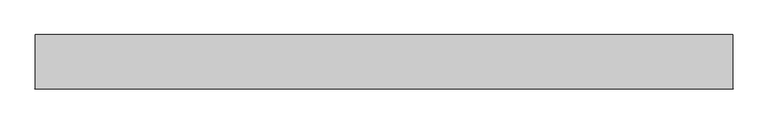
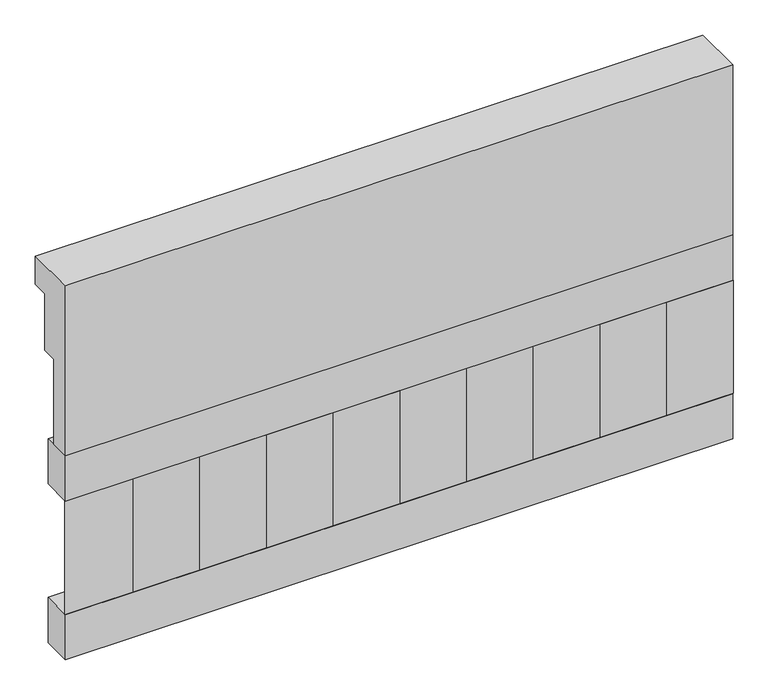
"""IFC4 building model written with IfcOpenShell, lengths in millimetres: railing geometry."""

from ifc_helpers import new_model, si_unit, frame, origin, place, context, project, spatial, polyline, outline, extrude, source, transform, mapped, element, save


def railing_a16365d3(model_context):
    return source(origin(), model_context, "Body", "SweptSolid", [
        extrude(outline(polyline([(903.1079487, 18500.0), (1033.1079487, 18500.0), (1033.1079487, 18425.0), (993.1079487, 18425.0), (993.1079487, 18275.0), (953.1079487, 18275.0), (953.1079487, 18050.0), (903.1079487, 18050.0), (903.1079487, 18500.0)])), frame((39990.0112841, 0.0, 0.0), z_axis=(1.0, 0.0, 0.0), x_axis=(0.0, 1.0, 0.0)), (0.0, 0.0, 1.0), 1670.0),
        extrude(outline(polyline([(41660.0112841, 978.1079487), (41660.0112841, 903.1079487), (39990.0112841, 903.1079487), (39990.0112841, 978.1079487), (41660.0112841, 978.1079487)])), frame((0.0, 0.0, 17930.0), z_axis=(0.0, 0.0, 1.0), x_axis=(1.0, 0.0, 0.0)), (0.0, 0.0, 1.0), 120.0),
        extrude(outline(polyline([(41660.0112841, 978.1079487), (41660.0112841, 903.1079487), (39990.0112841, 903.1079487), (39990.0112841, 978.1079487), (41660.0112841, 978.1079487)])), frame((0.0, 0.0, 17510.0), z_axis=(0.0, 0.0, 1.0), x_axis=(1.0, 0.0, 0.0)), (0.0, 0.0, 1.0), 120.0),
        extrude(outline(polyline([(40073.5112841, 987.9607624), (40158.3640978, 903.1079487), (39988.6584704, 903.1079487), (40073.5112841, 987.9607624)])), frame((0.0, 0.0, 17630.0), z_axis=(0.0, 0.0, 1.0), x_axis=(1.0, 0.0, 0.0)), (0.0, 0.0, 1.0), 300.0),
        extrude(outline(polyline([(40240.5112841, 987.9607624), (40325.3640978, 903.1079487), (40155.6584704, 903.1079487), (40240.5112841, 987.9607624)])), frame((0.0, 0.0, 17630.0), z_axis=(0.0, 0.0, 1.0), x_axis=(1.0, 0.0, 0.0)), (0.0, 0.0, 1.0), 300.0),
        extrude(outline(polyline([(40407.5112841, 987.9607624), (40492.3640978, 903.1079487), (40322.6584704, 903.1079487), (40407.5112841, 987.9607624)])), frame((0.0, 0.0, 17630.0), z_axis=(0.0, 0.0, 1.0), x_axis=(1.0, 0.0, 0.0)), (0.0, 0.0, 1.0), 300.0),
        extrude(outline(polyline([(40574.5112841, 987.9607624), (40659.3640978, 903.1079487), (40489.6584704, 903.1079487), (40574.5112841, 987.9607624)])), frame((0.0, 0.0, 17630.0), z_axis=(0.0, 0.0, 1.0), x_axis=(1.0, 0.0, 0.0)), (0.0, 0.0, 1.0), 300.0),
        extrude(outline(polyline([(40741.5112841, 987.9607624), (40826.3640978, 903.1079487), (40656.6584704, 903.1079487), (40741.5112841, 987.9607624)])), frame((0.0, 0.0, 17630.0), z_axis=(0.0, 0.0, 1.0), x_axis=(1.0, 0.0, 0.0)), (0.0, 0.0, 1.0), 300.0),
        extrude(outline(polyline([(40908.5112841, 987.9607624), (40993.3640978, 903.1079487), (40823.6584704, 903.1079487), (40908.5112841, 987.9607624)])), frame((0.0, 0.0, 17630.0), z_axis=(0.0, 0.0, 1.0), x_axis=(1.0, 0.0, 0.0)), (0.0, 0.0, 1.0), 300.0),
        extrude(outline(polyline([(41075.5112841, 987.9607624), (41160.3640978, 903.1079487), (40990.6584704, 903.1079487), (41075.5112841, 987.9607624)])), frame((0.0, 0.0, 17630.0), z_axis=(0.0, 0.0, 1.0), x_axis=(1.0, 0.0, 0.0)), (0.0, 0.0, 1.0), 300.0),
        extrude(outline(polyline([(41242.5112841, 987.9607624), (41327.3640978, 903.1079487), (41157.6584704, 903.1079487), (41242.5112841, 987.9607624)])), frame((0.0, 0.0, 17630.0), z_axis=(0.0, 0.0, 1.0), x_axis=(1.0, 0.0, 0.0)), (0.0, 0.0, 1.0), 300.0),
        extrude(outline(polyline([(41409.5112841, 987.9607624), (41494.3640978, 903.1079487), (41324.6584704, 903.1079487), (41409.5112841, 987.9607624)])), frame((0.0, 0.0, 17630.0), z_axis=(0.0, 0.0, 1.0), x_axis=(1.0, 0.0, 0.0)), (0.0, 0.0, 1.0), 300.0),
        extrude(outline(polyline([(41576.5112841, 987.9607624), (41661.3640978, 903.1079487), (41491.6584704, 903.1079487), (41576.5112841, 987.9607624)])), frame((0.0, 0.0, 17630.0), z_axis=(0.0, 0.0, 1.0), x_axis=(1.0, 0.0, 0.0)), (0.0, 0.0, 1.0), 300.0),
    ])


if __name__ == "__main__":
    model = new_model("IFC4")
    model_context = context("Model", 3, world=origin())
    ifc_project = project(units=[si_unit("LENGTHUNIT", "METRE", prefix="MILLI")], contexts=[model_context])
    site = spatial("IfcSite", under=ifc_project)
    building = spatial("IfcBuilding", under=site)
    placement = place(None, origin())
    railing_shape = railing_a16365d3(model_context)
    element("IfcRailing", 1, at=placement, inside=building, context=model_context, shape_type="MappedRepresentation", body=[
        mapped(railing_shape, transform((0.0, 0.0, 0.0), x_axis=(1.0, 0.0, 0.0), y_axis=(0.0, 1.0, 0.0), z_axis=(0.0, 0.0, 1.0))),
    ])
    save(model, "model.ifc")
